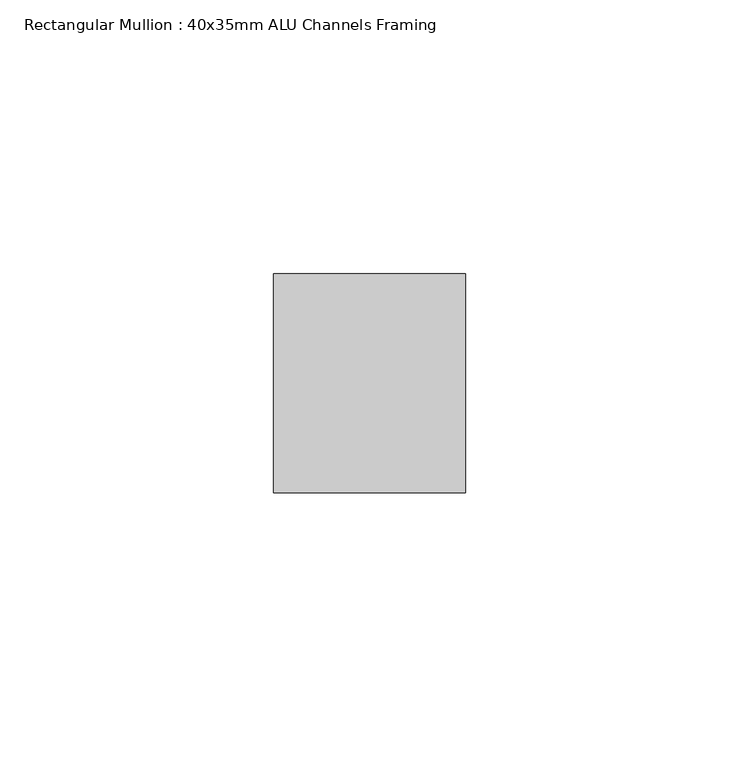
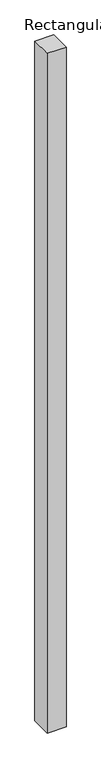
"""IFC4 building model written with IfcOpenShell, lengths in millimetres: member geometry, Rectangular Mullion : 40x35mm ALU Channels Framing."""

from ifc_helpers import new_model, si_unit, frame, origin, place, context, project, spatial, polyline, outline, extrude, source, transform, mapped, element, save


def rectangular_mullion_40x35mm_alu_channels_framing_00108cd9(model_context):
    return source(origin(), model_context, "Body", "SweptSolid", [
        extrude(outline(polyline([(17.5, 20.0), (17.5, -20.0), (-17.5, -20.0), (-17.5, 20.0), (17.5, 20.0)])), frame((0.0, 0.0, -1340.0), z_axis=(0.0, 0.0, 1.0), x_axis=(1.0, 0.0, 0.0)), (0.0, 0.0, 1.0), 1340.0),
    ])


if __name__ == "__main__":
    model = new_model("IFC4")
    model_context = context("Model", 3, world=origin())
    ifc_project = project(units=[si_unit("LENGTHUNIT", "METRE", prefix="MILLI")], contexts=[model_context])
    site = spatial("IfcSite", under=ifc_project)
    building = spatial("IfcBuilding", under=site)
    placement = place(None, origin())
    rectangular_mullion_40x35mm_alu_channels_framing_shape = rectangular_mullion_40x35mm_alu_channels_framing_00108cd9(model_context)
    element("IfcMember", 1, ObjectType="Rectangular Mullion : 40x35mm ALU Channels Framing", at=placement, inside=building, context=model_context, shape_type="MappedRepresentation", body=[
        mapped(rectangular_mullion_40x35mm_alu_channels_framing_shape, transform((0.0, 0.0, 0.0), x_axis=(1.0, 0.0, 0.0), y_axis=(0.0, 1.0, 0.0), z_axis=(0.0, 0.0, 1.0))),
    ])
    save(model, "model.ifc")
